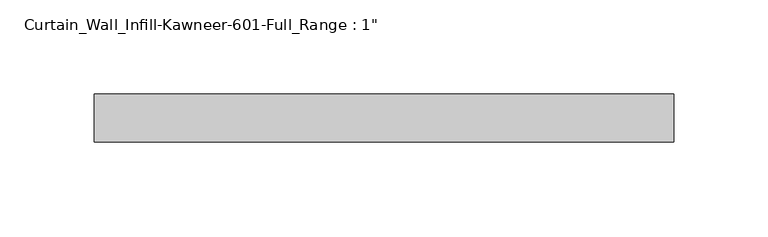
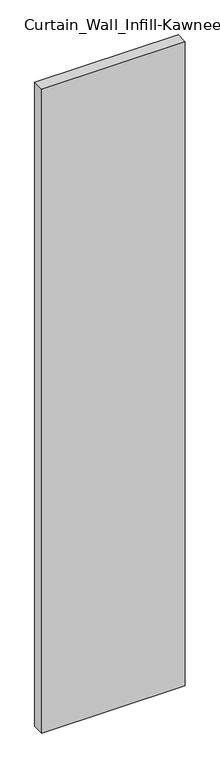
"""IFC4 building model written with IfcOpenShell, lengths in millimetres: plate geometry."""

from ifc_helpers import new_model, si_unit, origin, origin_with_axes, place, context, project, spatial, polyline, outline, extrude, source, transform, mapped, element, save


def plate_d8549316(model_context):
    return source(origin(), model_context, "Body", "SweptSolid", [
        extrude(outline(polyline([(-153.4583333, -12.7), (-153.4583333, 12.7), (153.4583333, 12.7), (153.4583333, -12.7), (-153.4583333, -12.7)])), origin_with_axes(), (0.0, 0.0, 1.0), 1454.15),
    ])


if __name__ == "__main__":
    model = new_model("IFC4")
    model_context = context("Model", 3, world=origin())
    ifc_project = project(units=[si_unit("LENGTHUNIT", "METRE", prefix="MILLI")], contexts=[model_context])
    site = spatial("IfcSite", under=ifc_project)
    building = spatial("IfcBuilding", under=site)
    placement = place(None, origin())
    plate_shape = plate_d8549316(model_context)
    element("IfcPlate", 1, ObjectType="Curtain_Wall_Infill-Kawneer-601-Full_Range : 1\"", at=placement, inside=building, context=model_context, shape_type="MappedRepresentation", body=[
        mapped(plate_shape, transform((0.0, 0.0, 0.0), x_axis=(1.0, 0.0, 0.0), y_axis=(0.0, 1.0, 0.0), z_axis=(0.0, 0.0, 1.0))),
    ])
    save(model, "model.ifc")
